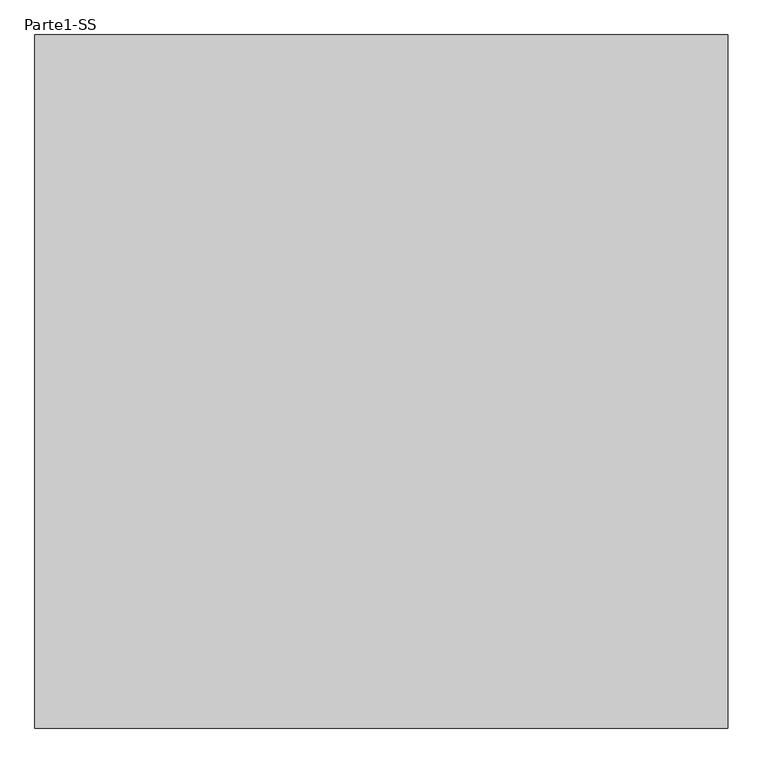
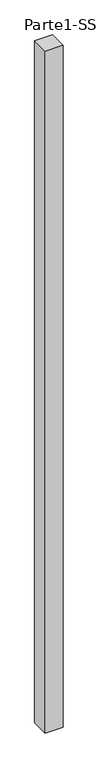
"""IFC4 building model written with IfcOpenShell, lengths in millimetres: proxy geometry, Parte1-SS."""

from ifc_helpers import new_model, si_unit, frame, origin, place, context, project, spatial, polyline, outline, extrude, source, transform, mapped, element, save


def parte1_ss_1fca1654(model_context):
    return source(origin(), model_context, "Body", "SweptSolid", [
        extrude(outline(polyline([(2000.0, 2000.0), (2000.0, 0.0), (0.0, 0.0), (0.0, 2000.0), (2000.0, 2000.0)])), frame((0.0, 0.0, 25000.0), z_axis=(0.0, 0.0, 1.0), x_axis=(1.0, 0.0, 0.0)), (0.0, 0.0, 1.0), 80000.0),
    ])


if __name__ == "__main__":
    model = new_model("IFC4")
    model_context = context("Model", 3, world=origin())
    ifc_project = project(units=[si_unit("LENGTHUNIT", "METRE", prefix="MILLI")], contexts=[model_context])
    site = spatial("IfcSite", under=ifc_project)
    building = spatial("IfcBuilding", under=site)
    placement = place(None, origin())
    parte1_ss_shape = parte1_ss_1fca1654(model_context)
    element("IfcBuildingElementProxy", 1, Name="Parte1-SS", ObjectType="Parte1-SS", at=placement, inside=building, context=model_context, shape_type="MappedRepresentation", body=[
        mapped(parte1_ss_shape, transform((0.0, 0.0, 0.0), x_axis=(1.0, 0.0, 0.0), y_axis=(0.0, 1.0, 0.0), z_axis=(0.0, 0.0, 1.0))),
    ])
    save(model, "model.ifc")
